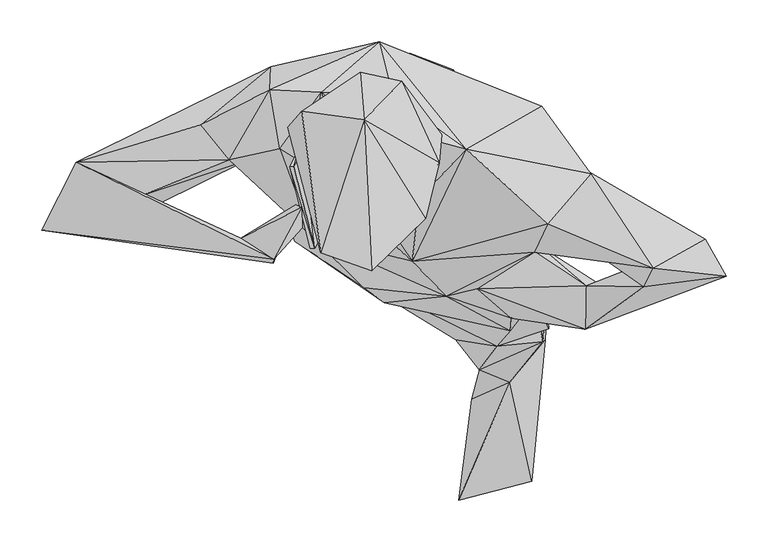
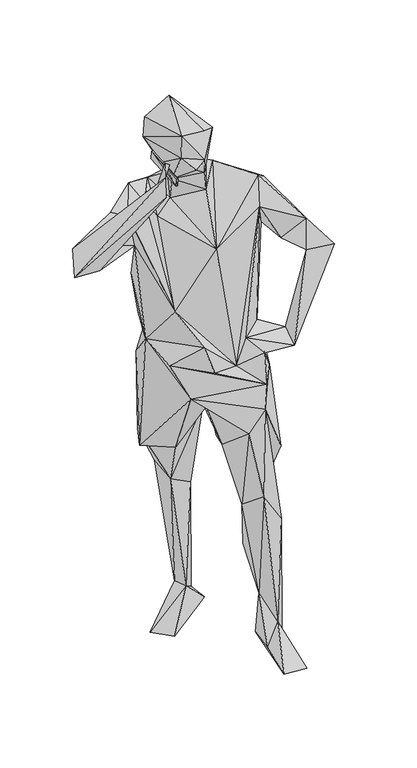
"""IFC4 building model written with IfcOpenShell, lengths in millimetres: geographic element geometry."""

from ifc_helpers import new_model, si_unit, origin, place, context, project, spatial, faceted_brep, source, transform, mapped, element, save


def geographic_element_3772a7ae(model_context):
    return source(origin(), model_context, "Body", "Brep", [
        faceted_brep([(-68.3898396, 237.4262184, 530.8927828), (-12.6039515, 165.2574966, 770.7350159), (-36.1401807, 173.0968782, 451.0345701), (-39.4171434, 96.1293864, 768.4909606), (-38.6004182, 250.6034939, 838.0003468), (-8.6701828, 150.8038472, 807.0450921), (-153.862549, 264.8610142, 836.4664213), (-122.5452929, 227.9875846, 522.6088698), (-39.5941692, 273.9506032, 386.7766511), (-84.0293531, 280.7922329, 971.8852519), (25.4211367, 239.8794115, 949.6515276), (7.2952247, 99.5159956, 639.0588205), (-19.0593151, 22.7255334, 665.6628169), (97.907691, 66.4536349, 638.5509293), (127.768515, -57.4535385, 657.4000039), (110.7087792, 167.2791967, 977.8557895), (-7.9037462, 249.0867048, 1027.7294986), (109.3539359, -9.7031611, 527.8984243), (111.8292646, -19.9907047, 924.6367698), (64.9187482, -78.4339746, 819.8794025), (82.7771117, -44.844556, 989.3523332), (81.5379386, -59.7639114, 888.375927), (116.103007, 42.1670596, 1017.5737017), (4.313969, -18.3009242, 955.099094), (171.7440614, -57.6788441, 992.141473), (41.9025304, -8.9870159, 1033.4405771), (201.6129171, -12.1121051, 1008.4106798), (242.0107543, -6.6585396, 1267.2940336), (341.0037118, 5.7211131, 1246.7249478), (172.5577542, -5.9242895, 1024.4313352), (110.2471114, 34.7099002, 1437.6561464), (105.1103758, 38.8971339, 1046.4669337), (113.5160313, 115.9129054, 1034.2541805), (118.9223215, 210.0276474, 1395.1541013), (157.8637044, 107.3603915, 1326.5852764), (-47.4697532, 248.4681129, 1177.7639243), (87.0417942, 159.0103487, 1030.6805245), (253.255841, 15.2824547, 1360.1224254), (315.6560024, 50.2910831, 1259.6638047), (181.4311124, 35.3707257, 1305.5877524), (168.2407686, 135.593815, 1368.4606383), (178.306026, 128.7491902, 1464.7761402), (28.3742301, 158.1553946, 1553.1637477), (126.2638106, 68.9078412, 1522.3834326), (-75.9626692, 287.5070834, 1463.5972796), (-150.0716042, 235.9355957, 1207.8168243), (-79.0022602, 241.0361141, 1113.3037668), (-206.237701, 257.5617401, 1399.9397582), (-236.0814334, 144.4128585, 1357.7335905), (-221.7967483, 189.6486855, 1230.2485552), (-178.7827887, 223.9421727, 1058.9320529), (-29.3146722, 253.2327144, 1070.0634586), (-204.7681783, 136.4517791, 1029.0119521), (-107.9307036, 266.6483489, 1051.1168112), (-200.387833, 196.9720697, 947.7495434), (-193.9757144, 200.6423002, 674.1459286), (-216.2305388, 151.9263517, 652.6736536), (-125.7498398, 101.3958814, 644.5245067), (-129.6715422, 125.2479389, 523.4778459), (-124.6685817, 15.4343339, 863.0251778), (-63.3868791, 38.0019541, 801.8299838), (15.8457139, -70.2123857, 747.2550777), (-55.9075915, 165.3007546, 101.0005909), (12.9067039, 254.2465596, 20.6907575), (-60.4197077, 221.2123694, 86.568049), (-189.0954799, 138.7450529, 2.920906), (36.53245, 217.5431374, -1.0571185), (-156.0974847, 54.910823, 28.5180617), (27.7264785, -10.4183004, 461.8723037), (44.3607563, -106.533608, 539.2310553), (58.8184402, -53.4111441, 168.8110659), (39.7027987, 5.104545, 312.8879926), (80.834872, -121.3523805, 102.6652219), (120.5889568, -72.8546819, 417.8454824), (-177.5536664, 48.1195146, 979.3112753), (-69.8030135, -25.8677207, 959.7389579), (-94.6568686, -8.1994579, 1046.3422408), (-156.7321698, 53.1224714, 1156.2061167), (-36.1110079, 23.7082221, 1348.3944965), (-256.3809423, 145.7586419, 1466.3219271), (-163.7970636, 138.9824284, 1437.2286619), (-195.5307251, 158.7377767, 1487.0770986), (-119.2512199, 146.3953388, 1481.4225252), (-145.8712947, 226.7564507, 1513.5402492), (-207.3953871, 229.7890009, 1513.9416269), (-59.5798485, 221.9838473, 1534.801345), (-102.3332986, 191.1413199, 1539.5719815), (-144.1915762, 90.7200862, 1589.6146101), (-27.6570782, 98.5916468, 1507.9167895), (-143.1646329, 41.5384206, 1690.7540351), (-102.4449455, 22.8784193, 1646.1558139), (-39.9753782, 85.5260257, 1580.2051826), (-152.2099953, 136.016248, 1623.2231655), (-66.7865566, 35.862572, 1663.1743702), (-185.7138998, 184.8016209, 1694.0078526), (-146.0211706, 34.1406051, 1772.4801083), (-99.0311938, 250.6759136, 1667.7639278), (-168.7989959, 203.8046245, 1745.0402759), (-93.9417321, 193.8902265, 1800.4569785), (-85.1448168, 12.1231683, 1784.1455716), (-19.906217, 75.3672263, 1734.4751144), (-3.9106346, 141.8932659, 1692.45992), (-49.0861082, 239.8100019, 1686.6060287), (-27.235638, 173.0868199, 1577.6744886), (-0.6527783, 175.8417763, 1651.1487757), (-290.6009817, 187.4519563, 1467.1890554), (-440.2562027, 142.6959169, 1420.1156918), (-302.6869558, 188.596589, 1347.3243547), (-360.1143316, 103.0403959, 1429.9193444), (-396.7685054, 65.1671878, 1374.552829), (-481.5894306, 61.2344213, 1382.2192975), (-242.1928018, 51.636874, 1539.1847897), (-203.4183864, 21.2510021, 1587.2529549), (-203.0100201, 26.0427349, 1653.630117), (-169.0001765, 88.6018265, 1654.549459), (-176.5518763, 91.7872626, 1600.8567612), (-168.5274223, 64.0989981, 1664.0554461), (128.1155332, 17.9378239, 359.5198944), (123.6567184, -70.2656946, 17.5344886), (97.0195445, -15.1848903, 123.3700648), (74.401631, -4.789723, -1.5811516), (107.3684456, -240.5100733, 3.8271513), (19.218236, -262.9187671, 28.0563902), (35.4059297, -141.7826397, 41.5756399)], [[[0, 1, 2]], [[3, 2, 1]], [[4, 1, 0]], [[3, 1, 5]], [[1, 4, 5]], [[6, 0, 7]], [[0, 6, 4]], [[0, 8, 7]], [[2, 8, 0]], [[9, 4, 6]], [[9, 10, 4]], [[4, 10, 5]], [[5, 10, 11]], [[3, 5, 12]], [[12, 5, 11]], [[13, 11, 10]], [[12, 11, 13]], [[14, 13, 10]], [[15, 14, 10]], [[10, 16, 15]], [[9, 16, 10]], [[13, 17, 12]], [[14, 17, 13]], [[15, 18, 14]], [[18, 19, 14]], [[14, 19, 17]], [[20, 21, 18]], [[22, 20, 18]], [[18, 15, 22]], [[18, 21, 19]], [[23, 21, 20]], [[20, 24, 25]], [[23, 20, 25]], [[26, 20, 22]], [[26, 24, 20]], [[27, 24, 28]], [[24, 29, 25]], [[24, 27, 29]], [[26, 28, 24]], [[30, 25, 31]], [[25, 30, 23]], [[29, 31, 25]], [[31, 32, 33]], [[34, 30, 31]], [[33, 34, 31]], [[22, 32, 31]], [[22, 31, 29]], [[35, 33, 32]], [[36, 35, 32]], [[22, 15, 32]], [[15, 36, 32]], [[26, 22, 29]], [[26, 29, 28]], [[28, 37, 27]], [[38, 28, 29]], [[28, 38, 37]], [[38, 29, 27]], [[37, 39, 27]], [[39, 38, 27]], [[40, 38, 39]], [[38, 40, 37]], [[30, 34, 39]], [[37, 30, 39]], [[40, 39, 34]], [[40, 41, 37]], [[40, 33, 41]], [[40, 34, 33]], [[41, 42, 43]], [[41, 43, 37]], [[33, 42, 41]], [[44, 33, 35]], [[33, 44, 42]], [[45, 44, 35]], [[35, 36, 45]], [[46, 45, 36]], [[45, 47, 44]], [[48, 47, 45]], [[49, 48, 45]], [[46, 49, 45]], [[49, 46, 50]], [[46, 51, 50]], [[36, 51, 46]], [[49, 52, 48]], [[49, 50, 52]], [[51, 53, 50]], [[52, 50, 53]], [[51, 36, 53]], [[53, 36, 16]], [[54, 52, 53]], [[53, 9, 54]], [[16, 9, 53]], [[15, 16, 36]], [[9, 6, 54]], [[6, 55, 54]], [[52, 54, 56]], [[56, 54, 55]], [[6, 7, 55]], [[57, 56, 55]], [[57, 55, 58]], [[58, 55, 7]], [[56, 59, 52]], [[59, 56, 57]], [[59, 57, 60]], [[57, 58, 3]], [[60, 57, 3]], [[12, 61, 60]], [[59, 60, 61]], [[60, 3, 12]], [[58, 2, 3]], [[2, 58, 62]], [[2, 62, 63]], [[8, 2, 63]], [[8, 63, 64]], [[63, 65, 64]], [[62, 66, 63]], [[65, 63, 66]], [[64, 7, 8]], [[58, 7, 64]], [[64, 65, 62]], [[62, 58, 64]], [[66, 62, 67]], [[67, 62, 65]], [[67, 65, 66]], [[12, 68, 61]], [[12, 17, 68]], [[69, 68, 70]], [[69, 61, 68]], [[17, 71, 68]], [[70, 68, 71]], [[19, 59, 61]], [[61, 69, 19]], [[69, 70, 72]], [[19, 69, 73]], [[73, 69, 72]], [[17, 19, 73]], [[21, 59, 19]], [[74, 59, 21]], [[74, 52, 59]], [[75, 74, 21]], [[23, 75, 21]], [[75, 76, 74]], [[76, 52, 74]], [[77, 48, 52]], [[76, 77, 52]], [[23, 77, 76]], [[23, 76, 75]], [[23, 78, 77]], [[30, 78, 23]], [[79, 48, 77]], [[78, 80, 77]], [[77, 81, 79]], [[80, 81, 77]], [[80, 78, 82]], [[82, 83, 80]], [[83, 81, 80]], [[81, 83, 84]], [[81, 84, 79]], [[84, 83, 44]], [[83, 85, 44]], [[83, 82, 86]], [[86, 85, 83]], [[87, 82, 88]], [[78, 88, 82]], [[86, 82, 87]], [[89, 87, 90]], [[90, 87, 91]], [[92, 87, 89]], [[92, 86, 87]], [[91, 87, 88]], [[91, 93, 90]], [[93, 89, 90]], [[92, 89, 94]], [[95, 94, 89]], [[95, 89, 93]], [[94, 86, 92]], [[94, 96, 86]], [[95, 97, 94]], [[96, 94, 97]], [[95, 98, 97]], [[98, 95, 99]], [[100, 99, 95]], [[93, 100, 95]], [[93, 91, 100]], [[100, 101, 98]], [[100, 91, 101]], [[98, 99, 100]], [[101, 102, 98]], [[98, 96, 97]], [[98, 102, 96]], [[103, 86, 96]], [[102, 103, 96]], [[102, 104, 103]], [[101, 104, 102]], [[88, 103, 101]], [[91, 88, 101]], [[101, 103, 104]], [[42, 103, 88]], [[85, 86, 103]], [[85, 103, 42]], [[42, 88, 78]], [[43, 42, 78]], [[85, 42, 44]], [[43, 78, 30]], [[30, 37, 43]], [[84, 44, 47]], [[105, 47, 106]], [[84, 47, 105]], [[47, 107, 106]], [[48, 107, 47]], [[84, 105, 79]], [[106, 79, 105]], [[79, 108, 48]], [[108, 79, 106]], [[109, 107, 48]], [[109, 48, 108]], [[110, 106, 107]], [[110, 107, 109]], [[111, 112, 109]], [[110, 109, 112]], [[111, 109, 108]], [[111, 108, 106]], [[106, 113, 111]], [[113, 114, 111]], [[114, 115, 111]], [[112, 111, 115]], [[115, 113, 112]], [[112, 113, 110]], [[110, 113, 106]], [[116, 113, 115]], [[113, 116, 114]], [[116, 115, 114]], [[117, 17, 73]], [[71, 17, 117]], [[73, 118, 117]], [[118, 73, 72]], [[117, 119, 71]], [[118, 119, 117]], [[71, 119, 70]], [[120, 70, 119]], [[119, 118, 120]], [[118, 72, 121]], [[121, 120, 118]], [[122, 121, 72]], [[122, 72, 123]], [[72, 70, 123]], [[123, 70, 120]], [[121, 122, 120]], [[122, 123, 120]]]),
        faceted_brep([(-167.5014922, 160.0051055, 1628.4363069), (-153.7348162, 39.1687075, 1625.1421966), (-142.2936005, 61.846967, 1582.7388568), (-178.9427229, 137.3268498, 1670.8388122), (-158.6060057, 39.1687075, 1625.1421966), (-183.8139124, 137.3268498, 1670.8388122), (-147.16479, 61.846967, 1582.7388568), (-172.3726967, 160.0051055, 1628.4363069)], [[[0, 1, 2]], [[1, 0, 3]], [[4, 2, 1]], [[5, 1, 3]], [[1, 5, 4]], [[2, 4, 6]], [[6, 0, 2]], [[0, 6, 7]], [[7, 3, 0]], [[3, 7, 5]], [[6, 5, 7]], [[5, 6, 4]]]),
    ])


if __name__ == "__main__":
    model = new_model("IFC4")
    model_context = context("Model", 3, world=origin())
    ifc_project = project(units=[si_unit("LENGTHUNIT", "METRE", prefix="MILLI")], contexts=[model_context])
    site = spatial("IfcSite", under=ifc_project)
    building = spatial("IfcBuilding", under=site)
    placement = place(None, origin())
    geographic_element_shape = geographic_element_3772a7ae(model_context)
    element("IfcGeographicElement", 1, at=placement, inside=building, context=model_context, shape_type="MappedRepresentation", body=[
        mapped(geographic_element_shape, transform((0.0, 0.0, 0.0), x_axis=(1.0, 0.0, 0.0), y_axis=(0.0, 1.0, 0.0), z_axis=(0.0, 0.0, 1.0))),
    ])
    save(model, "model.ifc")
